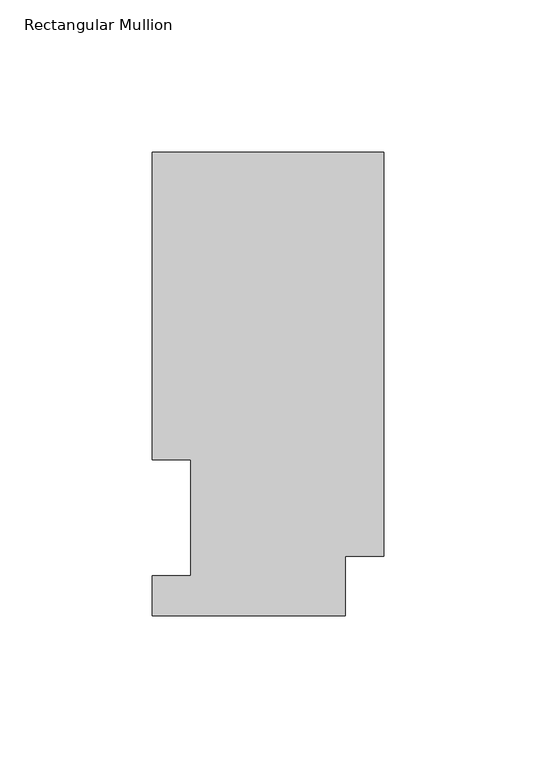
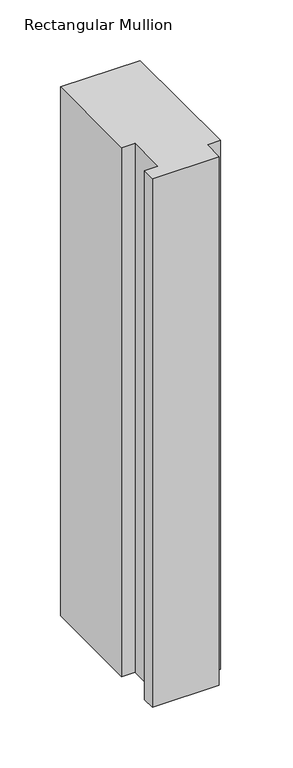
"""IFC4 building model written with IfcOpenShell, lengths in millimetres: member geometry, Rectangular Mullion."""

from ifc_helpers import new_model, si_unit, frame, origin, place, context, project, spatial, polyline, outline, extrude, source, transform, mapped, element, save


def rectangular_mullion_686c211b(model_context):
    return source(origin(), model_context, "Body", "SweptSolid", [
        extrude(outline(polyline([(-76.2, 152.4896938), (0.0, 152.4896938), (0.0, 19.5460937), (-12.7, 19.5460937), (-12.7, 0.0134938), (-76.2, 0.0134938), (-76.2, 13.1960938), (-63.5127, 13.1960938), (-63.5127, 51.2960938), (-76.2, 51.2960938), (-76.2, 152.4896938)])), frame((0.0, 0.0, -533.4134931), z_axis=(0.0, 0.0, 1.0), x_axis=(1.0, 0.0, 0.0)), (0.0, 0.0, 1.0), 533.4134931),
    ])


if __name__ == "__main__":
    model = new_model("IFC4")
    model_context = context("Model", 3, world=origin())
    ifc_project = project(units=[si_unit("LENGTHUNIT", "METRE", prefix="MILLI")], contexts=[model_context])
    site = spatial("IfcSite", under=ifc_project)
    building = spatial("IfcBuilding", under=site)
    placement = place(None, origin())
    rectangular_mullion_shape = rectangular_mullion_686c211b(model_context)
    element("IfcMember", 1, ObjectType="Rectangular Mullion", at=placement, inside=building, context=model_context, shape_type="MappedRepresentation", body=[
        mapped(rectangular_mullion_shape, transform((0.0, 0.0, 0.0), x_axis=(1.0, 0.0, 0.0), y_axis=(0.0, 1.0, 0.0), z_axis=(0.0, 0.0, 1.0))),
    ])
    save(model, "model.ifc")
